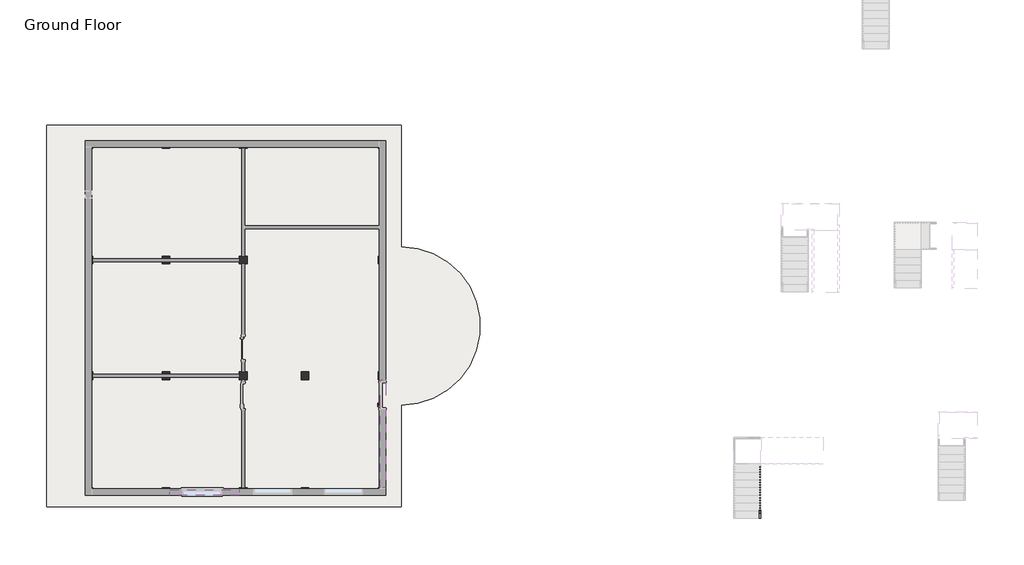
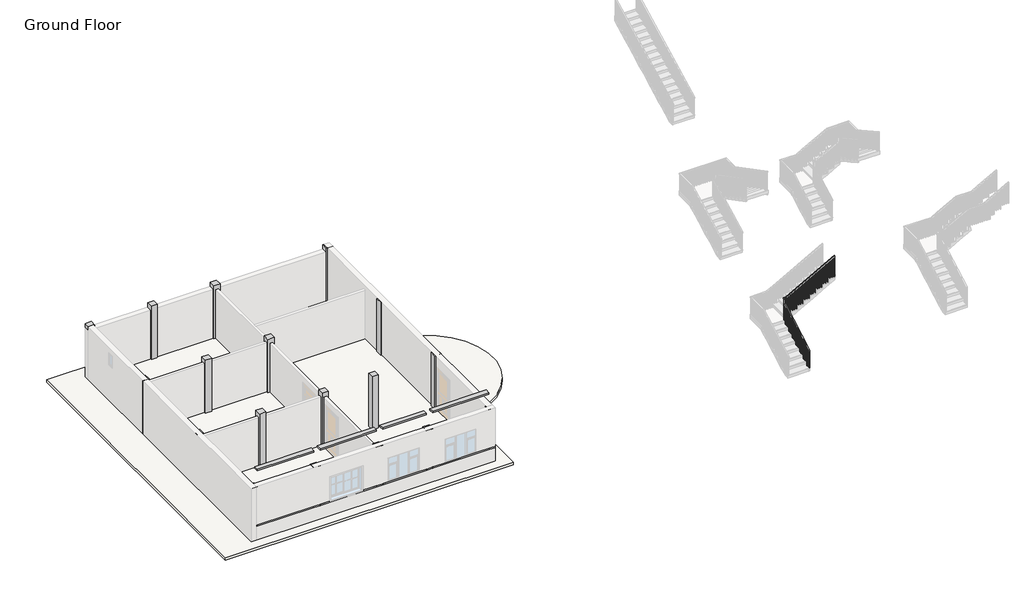
# One storey, part 2 of 10: 18 columns, 3 beams, 1 railing, 1 slab.
"""IFC4 building model written with IfcOpenShell, lengths in millimetres."""

from ifc_helpers import new_model, si_unit, point, frame, frame_2d, origin, place, context, project, spatial, polyline, circle_curve, trimmed, segment, composite_curve, outline, extrude, faceted_brep, element, save

model = new_model("IFC4")

# Units and contexts
model_context = context("Model", 3, world=origin())
ifc_project = project(units=[si_unit("LENGTHUNIT", "METRE", prefix="MILLI")], contexts=[model_context])

# Site, building, storey
site = spatial("IfcSite", under=ifc_project)
building = spatial("IfcBuilding", under=site)
storey = spatial("IfcBuildingStorey", under=building, Name="Ground Floor", Elevation=0.0)

# Beams
placement = place(None, origin())
element("IfcBeam", 1, ObjectType="Concrete-Rectangular Beam", at=placement, inside=storey, context=model_context, shape_type="Brep", body=[
    faceted_brep([(14744.5409002, -1628.0114294, 2235.2), (14515.9409002, -1628.0114294, 2235.2), (14515.9409002, -5895.2114294, 2235.2), (14744.5409002, -5895.2114294, 2235.2), (14744.5409002, -1628.0114294, 2133.6), (14744.5409002, -5895.2114294, 2133.6), (14515.9409002, -1628.0114294, 2133.6), (14515.9409002, -5895.2114294, 2133.6)], [[[0, 1, 2, 3]], [[4, 0, 3, 5]], [[6, 4, 5, 7]], [[1, 6, 7, 2]], [[1, 0, 4, 6]], [[3, 2, 7, 5]]]),
    faceted_brep([(14744.5409002, -15039.2114294, 2235.2), (14515.9409002, -15039.2114294, 2235.2), (14515.9409002, -15039.2114294, 2133.6), (14744.5409002, -15039.2114294, 2133.6), (14515.9409002, -10772.0114294, 2235.2), (14744.5409002, -10772.0114294, 2235.2), (14744.5409002, -10772.0114294, 2133.6), (14515.9409002, -10772.0114294, 2133.6), (14515.9409002, -10873.6114294, 2133.6), (14515.9409002, -11915.0114294, 2133.6), (14744.5409002, -11915.0114294, 2133.6), (14744.5409002, -10873.6114294, 2133.6)], [[[0, 1, 2, 3]], [[4, 5, 6, 7]], [[2, 1, 4, 7, 8, 9]], [[1, 0, 5, 4]], [[0, 3, 10, 11, 6, 5]], [[3, 2, 9, 8, 7, 6, 11, 10]]]),
    faceted_brep([(14744.5409002, -10467.2114294, 2235.2), (14515.9409002, -10467.2114294, 2235.2), (14515.9409002, -10467.2114294, 2133.6), (14744.5409002, -10467.2114294, 2133.6), (14515.9409002, -6200.0114294, 2235.2), (14744.5409002, -6200.0114294, 2235.2), (14744.5409002, -6200.0114294, 2133.6), (14515.9409002, -6200.0114294, 2133.6)], [[[0, 1, 2, 3]], [[4, 5, 6, 7]], [[2, 1, 4, 7]], [[1, 0, 5, 4]], [[0, 3, 6, 5]], [[3, 2, 7, 6]]]),
])
element("IfcBeam", 2, ObjectType="Concrete-Rectangular Beam", at=placement, inside=storey, context=model_context, shape_type="Brep", body=[
    faceted_brep([(11696.5409002, -15115.4114294, 762.0), (11696.5409002, -15344.0114294, 762.0), (12306.1409002, -15344.0114294, 762.0), (13830.1409002, -15344.0114294, 762.0), (14439.7409002, -15344.0114294, 762.0), (14439.7409002, -15115.4114294, 762.0), (13830.1409002, -15115.4114294, 762.0), (12306.1409002, -15115.4114294, 762.0), (11696.5409002, -15344.0114294, 685.8), (14439.7409002, -15344.0114294, 685.8), (11696.5409002, -15115.4114294, 685.8), (14439.7409002, -15115.4114294, 685.8)], [[[0, 1, 2, 3, 4, 5, 6, 7]], [[1, 8, 9, 4, 3, 2]], [[8, 10, 11, 9]], [[10, 0, 7, 6, 5, 11]], [[1, 0, 10, 8]], [[5, 4, 9, 11]]]),
    faceted_brep([(3162.1409002, -15344.0114294, 762.0), (3162.1409002, -15115.4114294, 762.0), (3162.1409002, -15115.4114294, 685.8), (3162.1409002, -15344.0114294, 685.8), (5905.3409002, -15115.4114294, 685.8), (5905.3409002, -15115.4114294, 762.0), (5905.3409002, -15344.0114294, 762.0), (5905.3409002, -15344.0114294, 685.8)], [[[0, 1, 2, 3]], [[4, 5, 6, 7]], [[2, 1, 5, 4]], [[1, 0, 6, 5]], [[0, 3, 7, 6]], [[3, 2, 4, 7]]]),
    faceted_brep([(9258.1409002, -15344.0114294, 762.0), (9258.1409002, -15115.4114294, 762.0), (9258.1409002, -15115.4114294, 685.8), (9258.1409002, -15344.0114294, 685.8), (11391.7409002, -15115.4114294, 762.0), (11391.7409002, -15344.0114294, 762.0), (11391.7409002, -15344.0114294, 685.8), (11391.7409002, -15115.4114294, 685.8), (9512.1409002, -15344.0114294, 762.0), (11036.1409002, -15344.0114294, 762.0), (11036.1409002, -15115.4114294, 762.0), (9512.1409002, -15115.4114294, 762.0)], [[[0, 1, 2, 3]], [[4, 5, 6, 7]], [[1, 0, 8, 9, 5, 4, 10, 11]], [[0, 3, 6, 5, 9, 8]], [[3, 2, 7, 6]], [[2, 1, 11, 10, 4, 7]]]),
    faceted_brep([(8953.3409002, -15115.4114294, 762.0), (8953.3409002, -15344.0114294, 762.0), (8953.3409002, -15344.0114294, 685.8), (8953.3409002, -15115.4114294, 685.8), (6210.1409002, -15115.4114294, 685.8), (6210.1409002, -15115.4114294, 762.0), (6718.1409002, -15115.4114294, 762.0), (8242.1409002, -15115.4114294, 762.0), (6210.1409002, -15344.0114294, 685.8), (6210.1409002, -15344.0114294, 762.0), (6718.1409002, -15344.0114294, 762.0), (8242.1409002, -15344.0114294, 762.0)], [[[0, 1, 2, 3]], [[0, 3, 4, 5, 6, 7]], [[5, 4, 8, 9]], [[1, 0, 7, 6, 5, 9, 10, 11]], [[2, 1, 11, 10, 9, 8]], [[3, 2, 8, 4]]]),
])
element("IfcBeam", 3, ObjectType="Concrete-Rectangular Beam", at=placement, inside=storey, context=model_context, shape_type="SweptSolid", body=[
    extrude(outline(polyline([(14439.7409002, -15115.4114294), (14439.7409002, -15344.0114294), (11696.5409002, -15344.0114294), (11696.5409002, -15115.4114294), (14439.7409002, -15115.4114294)])), frame((0.0, 0.0, 3556.0), z_axis=(0.0, 0.0, 1.0), x_axis=(1.0, 0.0, 0.0)), (0.0, 0.0, 1.0), 76.2),
    extrude(outline(polyline([(3162.1409002, -15344.0114294), (3162.1409002, -15115.4114294), (5905.3409002, -15115.4114294), (5905.3409002, -15344.0114294), (3162.1409002, -15344.0114294)])), frame((0.0, 0.0, 3556.0), z_axis=(0.0, 0.0, 1.0), x_axis=(1.0, 0.0, 0.0)), (0.0, 0.0, 1.0), 76.2),
    extrude(outline(polyline([(9258.1409002, -15344.0114294), (9258.1409002, -15115.4114294), (11391.7409002, -15115.4114294), (11391.7409002, -15344.0114294), (9258.1409002, -15344.0114294)])), frame((0.0, 0.0, 3556.0), z_axis=(0.0, 0.0, 1.0), x_axis=(1.0, 0.0, 0.0)), (0.0, 0.0, 1.0), 76.2),
    extrude(outline(polyline([(8953.3409002, -15115.4114294), (8953.3409002, -15344.0114294), (6210.1409002, -15344.0114294), (6210.1409002, -15115.4114294), (8953.3409002, -15115.4114294)])), frame((0.0, 0.0, 3556.0), z_axis=(0.0, 0.0, 1.0), x_axis=(1.0, 0.0, 0.0)), (0.0, 0.0, 1.0), 76.2),
])

# Columns
element("IfcColumn", 4, ObjectType="Concrete-Rectangular-Column", at=placement, inside=storey, context=model_context, shape_type="Brep", body=[
    faceted_brep([(3162.1409002, -15039.2114294, 0.0), (3162.1409002, -15344.0114294, 0.0), (2857.3409002, -15344.0114294, 0.0), (2857.3409002, -15039.2114294, 0.0), (3162.1409002, -15039.2114294, 2743.2), (3162.1409002, -15344.0114294, 2743.2), (3162.1409002, -15344.0114294, 2514.6), (3162.1409002, -15039.2114294, 2514.6), (2857.3409002, -15344.0114294, 2743.2), (2857.3409002, -15039.2114294, 2743.2), (2857.3409002, -15039.2114294, 2514.6)], [[[0, 1, 2, 3]], [[4, 5, 6, 1, 0, 7]], [[5, 8, 2, 1, 6]], [[8, 9, 10, 3, 2]], [[9, 4, 7, 0, 3, 10]], [[4, 9, 8, 5]]]),
])
element("IfcColumn", 5, ObjectType="Concrete-Rectangular-Column", at=placement, inside=storey, context=model_context, shape_type="Brep", body=[
    faceted_brep([(9258.1409002, -15039.2114294, 0.0), (9258.1409002, -15344.0114294, 0.0), (8953.3409002, -15344.0114294, 0.0), (8953.3409002, -15039.2114294, 0.0), (9258.1409002, -15039.2114294, 2743.2), (9258.1409002, -15344.0114294, 2743.2), (9258.1409002, -15344.0114294, 2514.6), (9258.1409002, -15344.0114294, 762.0), (9258.1409002, -15344.0114294, 685.8), (9258.1409002, -15039.2114294, 2514.6), (8953.3409002, -15344.0114294, 2743.2), (8953.3409002, -15344.0114294, 2514.6), (8953.3409002, -15344.0114294, 762.0), (8953.3409002, -15344.0114294, 685.8), (8953.3409002, -15039.2114294, 2743.2), (8953.3409002, -15039.2114294, 2514.6)], [[[0, 1, 2, 3]], [[4, 5, 6, 7, 8, 1, 0, 9]], [[5, 10, 11, 12, 13, 2, 1, 8, 7, 6]], [[10, 14, 15, 3, 2, 13, 12, 11]], [[14, 4, 9, 0, 3, 15]], [[4, 14, 10, 5]]]),
])
element("IfcColumn", 6, ObjectType="Concrete-Rectangular-Column", at=placement, inside=storey, context=model_context, shape_type="Brep", body=[
    faceted_brep([(11696.5409002, -15039.2114294, 0.0), (11696.5409002, -15344.0114294, 0.0), (11391.7409002, -15344.0114294, 0.0), (11391.7409002, -15039.2114294, 0.0), (11696.5409002, -15039.2114294, 2743.2), (11696.5409002, -15344.0114294, 2743.2), (11696.5409002, -15344.0114294, 2514.6), (11696.5409002, -15344.0114294, 762.0), (11696.5409002, -15344.0114294, 685.8), (11696.5409002, -15039.2114294, 2514.6), (11391.7409002, -15344.0114294, 2743.2), (11391.7409002, -15344.0114294, 2514.6), (11391.7409002, -15344.0114294, 762.0), (11391.7409002, -15344.0114294, 685.8), (11391.7409002, -15039.2114294, 2743.2), (11391.7409002, -15039.2114294, 2514.6)], [[[0, 1, 2, 3]], [[4, 5, 6, 7, 8, 1, 0, 9]], [[5, 10, 11, 12, 13, 2, 1, 8, 7, 6]], [[10, 14, 15, 3, 2, 13, 12, 11]], [[14, 4, 9, 0, 3, 15]], [[4, 14, 10, 5]]]),
])
element("IfcColumn", 7, ObjectType="Concrete-Rectangular-Column", at=placement, inside=storey, context=model_context, shape_type="Brep", body=[
    faceted_brep([(14744.5409002, -15039.2114294, 0.0), (14744.5409002, -15344.0114294, 0.0), (14439.7409002, -15344.0114294, 0.0), (14439.7409002, -15039.2114294, 0.0), (14744.5409002, -15039.2114294, 2743.2), (14744.5409002, -15344.0114294, 2743.2), (14744.5409002, -15039.2114294, 2514.6), (14439.7409002, -15344.0114294, 2743.2), (14439.7409002, -15344.0114294, 2514.6), (14439.7409002, -15039.2114294, 2743.2), (14439.7409002, -15039.2114294, 2514.6)], [[[0, 1, 2, 3]], [[4, 5, 1, 0, 6]], [[5, 7, 8, 2, 1]], [[7, 9, 10, 3, 2, 8]], [[9, 4, 6, 0, 3, 10]], [[4, 9, 7, 5]]]),
])
element("IfcColumn", 8, ObjectType="Concrete-Rectangular-Column", at=placement, inside=storey, context=model_context, shape_type="Brep", body=[
    faceted_brep([(6210.1409002, -15039.2114294, 0.0), (6210.1409002, -15344.0114294, 0.0), (5905.3409002, -15344.0114294, 0.0), (5905.3409002, -15039.2114294, 0.0), (6210.1409002, -15039.2114294, 2743.2), (6210.1409002, -15344.0114294, 2743.2), (6210.1409002, -15344.0114294, 2514.6), (6210.1409002, -15344.0114294, 762.0), (6210.1409002, -15344.0114294, 685.8), (6210.1409002, -15039.2114294, 2514.6), (5905.3409002, -15344.0114294, 2743.2), (5905.3409002, -15344.0114294, 2514.6), (5905.3409002, -15344.0114294, 762.0), (5905.3409002, -15344.0114294, 685.8), (5905.3409002, -15039.2114294, 2743.2), (5905.3409002, -15039.2114294, 2514.6)], [[[0, 1, 2, 3]], [[4, 5, 6, 7, 8, 1, 0, 9]], [[5, 10, 11, 12, 13, 2, 1, 8, 7, 6]], [[10, 14, 15, 3, 2, 13, 12, 11]], [[14, 4, 9, 0, 3, 15]], [[4, 14, 10, 5]]]),
])
element("IfcColumn", 9, ObjectType="Concrete-Rectangular-Column", at=placement, inside=storey, context=model_context, shape_type="Brep", body=[
    faceted_brep([(3162.1409002, -10467.2114294, 0.0), (3162.1409002, -10772.0114294, 0.0), (2857.3409002, -10772.0114294, 0.0), (2857.3409002, -10467.2114294, 0.0), (3162.1409002, -10467.2114294, 2743.2), (3162.1409002, -10772.0114294, 2743.2), (3162.1409002, -10772.0114294, 2514.6), (3162.1409002, -10467.2114294, 2514.6), (2857.3409002, -10772.0114294, 2743.2), (2857.3409002, -10772.0114294, 2514.6), (2857.3409002, -10467.2114294, 2743.2), (2857.3409002, -10467.2114294, 2514.6)], [[[0, 1, 2, 3]], [[4, 5, 6, 1, 0, 7]], [[5, 8, 9, 2, 1, 6]], [[8, 10, 11, 3, 2, 9]], [[10, 4, 7, 0, 3, 11]], [[4, 10, 8, 5]]]),
])
element("IfcColumn", 10, ObjectType="Concrete-Rectangular-Column", at=placement, inside=storey, context=model_context, shape_type="Brep", body=[
    faceted_brep([(9258.1409002, -10467.2114294, 0.0), (9258.1409002, -10772.0114294, 0.0), (8953.3409002, -10772.0114294, 0.0), (8953.3409002, -10467.2114294, 0.0), (9258.1409002, -10467.2114294, 2743.2), (9258.1409002, -10772.0114294, 2743.2), (9258.1409002, -10772.0114294, 2514.6), (9258.1409002, -10467.2114294, 2514.6), (8953.3409002, -10772.0114294, 2743.2), (8953.3409002, -10772.0114294, 2514.6), (8953.3409002, -10467.2114294, 2743.2), (8953.3409002, -10467.2114294, 2514.6)], [[[0, 1, 2, 3]], [[4, 5, 6, 1, 0, 7]], [[5, 8, 9, 2, 1, 6]], [[8, 10, 11, 3, 2, 9]], [[10, 4, 7, 0, 3, 11]], [[4, 10, 8, 5]]]),
])
element("IfcColumn", 11, ObjectType="Concrete-Rectangular-Column", at=placement, inside=storey, context=model_context, shape_type="Brep", body=[
    faceted_brep([(11696.5409002, -10467.2114294, 0.0), (11696.5409002, -10772.0114294, 0.0), (11391.7409002, -10772.0114294, 0.0), (11391.7409002, -10467.2114294, 0.0), (11696.5409002, -10467.2114294, 2743.2), (11696.5409002, -10772.0114294, 2743.2), (11696.5409002, -10772.0114294, 2514.6), (11696.5409002, -10467.2114294, 2514.6), (11391.7409002, -10772.0114294, 2743.2), (11391.7409002, -10772.0114294, 2514.6), (11391.7409002, -10467.2114294, 2743.2), (11391.7409002, -10467.2114294, 2514.6)], [[[0, 1, 2, 3]], [[4, 5, 6, 1, 0, 7]], [[5, 8, 9, 2, 1, 6]], [[8, 10, 11, 3, 2, 9]], [[10, 4, 7, 0, 3, 11]], [[4, 10, 8, 5]]]),
])
element("IfcColumn", 12, ObjectType="Concrete-Rectangular-Column", at=placement, inside=storey, context=model_context, shape_type="Brep", body=[
    faceted_brep([(14744.5409002, -10467.2114294, 0.0), (14744.5409002, -10772.0114294, 0.0), (14439.7409002, -10772.0114294, 0.0), (14439.7409002, -10467.2114294, 0.0), (14744.5409002, -10467.2114294, 2743.2), (14744.5409002, -10772.0114294, 2743.2), (14744.5409002, -10772.0114294, 2514.6), (14744.5409002, -10772.0114294, 2235.2), (14744.5409002, -10772.0114294, 2133.6), (14744.5409002, -10467.2114294, 2133.6), (14744.5409002, -10467.2114294, 2235.2), (14744.5409002, -10467.2114294, 2514.6), (14439.7409002, -10772.0114294, 2743.2), (14439.7409002, -10772.0114294, 2514.6), (14439.7409002, -10467.2114294, 2743.2), (14439.7409002, -10467.2114294, 2514.6)], [[[0, 1, 2, 3]], [[4, 5, 6, 7, 8, 1, 0, 9, 10, 11]], [[5, 12, 13, 2, 1, 8, 7, 6]], [[12, 14, 15, 3, 2, 13]], [[14, 4, 11, 10, 9, 0, 3, 15]], [[4, 14, 12, 5]]]),
])
element("IfcColumn", 13, ObjectType="Concrete-Rectangular-Column", at=placement, inside=storey, context=model_context, shape_type="Brep", body=[
    faceted_brep([(6210.1409002, -10467.2114294, 0.0), (6210.1409002, -10772.0114294, 0.0), (5905.3409002, -10772.0114294, 0.0), (5905.3409002, -10467.2114294, 0.0), (6210.1409002, -10467.2114294, 2743.2), (6210.1409002, -10772.0114294, 2743.2), (6210.1409002, -10772.0114294, 2514.6), (6210.1409002, -10467.2114294, 2514.6), (5905.3409002, -10772.0114294, 2743.2), (5905.3409002, -10772.0114294, 2514.6), (5905.3409002, -10467.2114294, 2743.2), (5905.3409002, -10467.2114294, 2514.6)], [[[0, 1, 2, 3]], [[4, 5, 6, 1, 0, 7]], [[5, 8, 9, 2, 1, 6]], [[8, 10, 11, 3, 2, 9]], [[10, 4, 7, 0, 3, 11]], [[4, 10, 8, 5]]]),
])
element("IfcColumn", 14, ObjectType="Concrete-Rectangular-Column", at=placement, inside=storey, context=model_context, shape_type="Brep", body=[
    faceted_brep([(3162.1409002, -5895.2114294, 0.0), (3162.1409002, -6200.0114294, 0.0), (2857.3409002, -6200.0114294, 0.0), (2857.3409002, -5895.2114294, 0.0), (3162.1409002, -5895.2114294, 2743.2), (3162.1409002, -6200.0114294, 2743.2), (3162.1409002, -6200.0114294, 2514.6), (3162.1409002, -5895.2114294, 2514.6), (2857.3409002, -6200.0114294, 2743.2), (2857.3409002, -6200.0114294, 2514.6), (2857.3409002, -5895.2114294, 2743.2), (2857.3409002, -5895.2114294, 2514.6)], [[[0, 1, 2, 3]], [[4, 5, 6, 1, 0, 7]], [[5, 8, 9, 2, 1, 6]], [[8, 10, 11, 3, 2, 9]], [[10, 4, 7, 0, 3, 11]], [[4, 10, 8, 5]]]),
])
element("IfcColumn", 15, ObjectType="Concrete-Rectangular-Column", at=placement, inside=storey, context=model_context, shape_type="Brep", body=[
    faceted_brep([(9258.1409002, -5895.2114294, 0.0), (9258.1409002, -6200.0114294, 0.0), (8953.3409002, -6200.0114294, 0.0), (8953.3409002, -5895.2114294, 0.0), (9258.1409002, -5895.2114294, 2743.2), (9258.1409002, -6200.0114294, 2743.2), (9258.1409002, -6200.0114294, 2514.6), (9258.1409002, -5895.2114294, 2514.6), (8953.3409002, -6200.0114294, 2743.2), (8953.3409002, -6200.0114294, 2514.6), (8953.3409002, -5895.2114294, 2743.2), (8953.3409002, -5895.2114294, 2514.6)], [[[0, 1, 2, 3]], [[4, 5, 6, 1, 0, 7]], [[5, 8, 9, 2, 1, 6]], [[8, 10, 11, 3, 2, 9]], [[10, 4, 7, 0, 3, 11]], [[4, 10, 8, 5]]]),
])
element("IfcColumn", 16, ObjectType="Concrete-Rectangular-Column", at=placement, inside=storey, context=model_context, shape_type="Brep", body=[
    faceted_brep([(14744.5409002, -5895.2114294, 0.0), (14744.5409002, -6200.0114294, 0.0), (14439.7409002, -6200.0114294, 0.0), (14439.7409002, -5895.2114294, 0.0), (14744.5409002, -5895.2114294, 2743.2), (14744.5409002, -6200.0114294, 2743.2), (14744.5409002, -6200.0114294, 2514.6), (14744.5409002, -6200.0114294, 2235.2), (14744.5409002, -6200.0114294, 2133.6), (14744.5409002, -5895.2114294, 2133.6), (14744.5409002, -5895.2114294, 2235.2), (14744.5409002, -5895.2114294, 2514.6), (14439.7409002, -6200.0114294, 2743.2), (14439.7409002, -6200.0114294, 2514.6), (14439.7409002, -5895.2114294, 2743.2), (14439.7409002, -5895.2114294, 2514.6)], [[[0, 1, 2, 3]], [[4, 5, 6, 7, 8, 1, 0, 9, 10, 11]], [[5, 12, 13, 2, 1, 8, 7, 6]], [[12, 14, 15, 3, 2, 13]], [[14, 4, 11, 10, 9, 0, 3, 15]], [[4, 14, 12, 5]]]),
])
element("IfcColumn", 17, ObjectType="Concrete-Rectangular-Column", at=placement, inside=storey, context=model_context, shape_type="Brep", body=[
    faceted_brep([(6210.1409002, -5895.2114294, 0.0), (6210.1409002, -6200.0114294, 0.0), (5905.3409002, -6200.0114294, 0.0), (5905.3409002, -5895.2114294, 0.0), (6210.1409002, -5895.2114294, 2743.2), (6210.1409002, -6200.0114294, 2743.2), (6210.1409002, -6200.0114294, 2514.6), (6210.1409002, -5895.2114294, 2514.6), (5905.3409002, -6200.0114294, 2743.2), (5905.3409002, -6200.0114294, 2514.6), (5905.3409002, -5895.2114294, 2743.2), (5905.3409002, -5895.2114294, 2514.6)], [[[0, 1, 2, 3]], [[4, 5, 6, 1, 0, 7]], [[5, 8, 9, 2, 1, 6]], [[8, 10, 11, 3, 2, 9]], [[10, 4, 7, 0, 3, 11]], [[4, 10, 8, 5]]]),
])
element("IfcColumn", 18, ObjectType="Concrete-Rectangular-Column", at=placement, inside=storey, context=model_context, shape_type="Brep", body=[
    faceted_brep([(3162.1409002, -1323.2114294, 0.0), (3162.1409002, -1628.0114294, 0.0), (2857.3409002, -1628.0114294, 0.0), (2857.3409002, -1323.2114294, 0.0), (3162.1409002, -1323.2114294, 2743.2), (3162.1409002, -1628.0114294, 2743.2), (3162.1409002, -1628.0114294, 2514.6), (3162.1409002, -1323.2114294, 2514.6), (2857.3409002, -1628.0114294, 2743.2), (2857.3409002, -1628.0114294, 2514.6), (2857.3409002, -1323.2114294, 2743.2)], [[[0, 1, 2, 3]], [[4, 5, 6, 1, 0, 7]], [[5, 8, 9, 2, 1, 6]], [[8, 10, 3, 2, 9]], [[10, 4, 7, 0, 3]], [[4, 10, 8, 5]]]),
])
element("IfcColumn", 19, ObjectType="Concrete-Rectangular-Column", at=placement, inside=storey, context=model_context, shape_type="Brep", body=[
    faceted_brep([(9258.1409002, -1323.2114294, 0.0), (9258.1409002, -1628.0114294, 0.0), (8953.3409002, -1628.0114294, 0.0), (8953.3409002, -1323.2114294, 0.0), (9258.1409002, -1323.2114294, 2743.2), (9258.1409002, -1628.0114294, 2743.2), (9258.1409002, -1628.0114294, 2514.6), (9258.1409002, -1323.2114294, 2514.6), (8953.3409002, -1628.0114294, 2743.2), (8953.3409002, -1628.0114294, 2514.6), (8953.3409002, -1323.2114294, 2743.2), (8953.3409002, -1323.2114294, 2514.6)], [[[0, 1, 2, 3]], [[4, 5, 6, 1, 0, 7]], [[5, 8, 9, 2, 1, 6]], [[8, 10, 11, 3, 2, 9]], [[10, 4, 7, 0, 3, 11]], [[4, 10, 8, 5]]]),
])
element("IfcColumn", 20, ObjectType="Concrete-Rectangular-Column", at=placement, inside=storey, context=model_context, shape_type="Brep", body=[
    faceted_brep([(14744.5409002, -1323.2114294, 0.0), (14744.5409002, -1628.0114294, 0.0), (14439.7409002, -1628.0114294, 0.0), (14439.7409002, -1323.2114294, 0.0), (14744.5409002, -1323.2114294, 2743.2), (14744.5409002, -1628.0114294, 2743.2), (14744.5409002, -1628.0114294, 2514.6), (14439.7409002, -1628.0114294, 2743.2), (14439.7409002, -1628.0114294, 2514.6), (14439.7409002, -1323.2114294, 2743.2), (14439.7409002, -1323.2114294, 2514.6)], [[[0, 1, 2, 3]], [[4, 5, 6, 1, 0]], [[5, 7, 8, 2, 1, 6]], [[7, 9, 10, 3, 2, 8]], [[9, 4, 0, 3, 10]], [[4, 9, 7, 5]]]),
])
element("IfcColumn", 21, ObjectType="Concrete-Rectangular-Column", at=placement, inside=storey, context=model_context, shape_type="Brep", body=[
    faceted_brep([(6210.1409002, -1323.2114294, 0.0), (6210.1409002, -1628.0114294, 0.0), (5905.3409002, -1628.0114294, 0.0), (5905.3409002, -1323.2114294, 0.0), (6210.1409002, -1323.2114294, 2743.2), (6210.1409002, -1628.0114294, 2743.2), (6210.1409002, -1628.0114294, 2514.6), (6210.1409002, -1323.2114294, 2514.6), (5905.3409002, -1628.0114294, 2743.2), (5905.3409002, -1628.0114294, 2514.6), (5905.3409002, -1323.2114294, 2743.2), (5905.3409002, -1323.2114294, 2514.6)], [[[0, 1, 2, 3]], [[4, 5, 6, 1, 0, 7]], [[5, 8, 9, 2, 1, 6]], [[8, 10, 11, 3, 2, 9]], [[10, 4, 7, 0, 3, 11]], [[4, 10, 8, 5]]]),
])

# Railing
element("IfcRailing", 22, ObjectType="Handrail - Rectangular", at=placement, inside=storey, context=model_context, shape_type="SolidModel", body=[
    faceted_brep([(29504.8368532, -16252.694512, 1083.2352941), (29504.8368532, -16252.694512, 1025.162448), (29555.6368532, -16252.694512, 1025.162448), (29555.6368532, -16252.694512, 1083.2352941), (29504.8368532, -14195.294512, 2222.8735294), (29504.8368532, -14144.494512, 2192.939899), (29555.6368532, -14144.494512, 2192.939899), (29555.6368532, -14195.294512, 2222.8735294), (29504.8368532, -14195.294512, 2476.1264706), (29504.8368532, -14144.494512, 2425.3264706), (29555.6368532, -14144.494512, 2425.3264706), (29555.6368532, -14195.294512, 2476.1264706), (29504.8368532, -14068.294512, 2476.1264706), (29504.8368532, -14068.294512, 2425.3264706), (29555.6368532, -14119.094512, 2425.3264706), (29555.6368532, -14119.094512, 2476.1264706), (29631.8368532, -14068.294512, 2476.1264706), (29644.9665931, -14068.294512, 2425.3264706), (29644.9665931, -14119.094512, 2425.3264706), (29631.8368532, -14119.094512, 2476.1264706), (31994.0368532, -14068.294512, 3784.6), (31994.0368532, -14119.094512, 3784.6), (31994.0368532, -14119.094512, 3726.5271539), (31994.0368532, -14068.294512, 3726.5271539)], [[[0, 1, 2, 3]], [[1, 0, 4, 5]], [[2, 1, 5, 6]], [[3, 2, 6, 7]], [[0, 3, 7, 4]], [[5, 4, 8, 9]], [[6, 5, 9, 10]], [[7, 6, 10, 11]], [[4, 7, 11, 8]], [[9, 8, 12, 13]], [[10, 9, 13, 14]], [[11, 10, 14, 15]], [[8, 11, 15, 12]], [[13, 12, 16, 17]], [[14, 13, 17, 18]], [[15, 14, 18, 19]], [[12, 15, 19, 16]], [[20, 21, 22, 23]], [[17, 16, 20, 23]], [[18, 17, 23, 22]], [[19, 18, 22, 21]], [[16, 19, 21, 20]]]),
    extrude(outline(polyline([(3717.733649, 31978.1618532), (3707.1814431, 31959.1118532), (2701.3647059, 31959.1118532), (2701.3647059, 31978.1618532), (3717.733649, 31978.1618532)])), frame((0.0, -14103.219512, 0.0), z_axis=(0.0, 1.0, 0.0), x_axis=(0.0, 0.0, 1.0)), (0.0, 0.0, 1.0), 19.05),
    extrude(outline(polyline([(3661.4552176, 31876.5618532), (3650.9030117, 31857.5118532), (2701.3647059, 31857.5118532), (2701.3647059, 31876.5618532), (3661.4552176, 31876.5618532)])), frame((0.0, -14103.219512, 0.0), z_axis=(0.0, 1.0, 0.0), x_axis=(0.0, 0.0, 1.0)), (0.0, 0.0, 1.0), 19.05),
    extrude(outline(polyline([(3605.1767862, 31774.9618532), (3594.6245803, 31755.9118532), (2701.3647059, 31755.9118532), (2701.3647059, 31774.9618532), (3605.1767862, 31774.9618532)])), frame((0.0, -14103.219512, 0.0), z_axis=(0.0, 1.0, 0.0), x_axis=(0.0, 0.0, 1.0)), (0.0, 0.0, 1.0), 19.05),
    extrude(outline(polyline([(3548.8983548, 31673.3618532), (3538.346149, 31654.3118532), (2532.5294118, 31654.3118532), (2532.5294118, 31673.3618532), (3548.8983548, 31673.3618532)])), frame((0.0, -14103.219512, 0.0), z_axis=(0.0, 1.0, 0.0), x_axis=(0.0, 0.0, 1.0)), (0.0, 0.0, 1.0), 19.05),
    extrude(outline(polyline([(3492.6199235, 31571.7618532), (3482.0677176, 31552.7118532), (2532.5294118, 31552.7118532), (2532.5294118, 31571.7618532), (3492.6199235, 31571.7618532)])), frame((0.0, -14103.219512, 0.0), z_axis=(0.0, 1.0, 0.0), x_axis=(0.0, 0.0, 1.0)), (0.0, 0.0, 1.0), 19.05),
    extrude(outline(polyline([(3436.3414921, 31470.1618532), (3425.7892862, 31451.1118532), (2532.5294118, 31451.1118532), (2532.5294118, 31470.1618532), (3436.3414921, 31470.1618532)])), frame((0.0, -14103.219512, 0.0), z_axis=(0.0, 1.0, 0.0), x_axis=(0.0, 0.0, 1.0)), (0.0, 0.0, 1.0), 19.05),
    extrude(outline(polyline([(3380.0630607, 31368.5618532), (3369.5108548, 31349.5118532), (2363.6941176, 31349.5118532), (2363.6941176, 31368.5618532), (3380.0630607, 31368.5618532)])), frame((0.0, -14103.219512, 0.0), z_axis=(0.0, 1.0, 0.0), x_axis=(0.0, 0.0, 1.0)), (0.0, 0.0, 1.0), 19.05),
    extrude(outline(polyline([(3323.7846293, 31266.9618532), (3313.2324235, 31247.9118532), (2363.6941176, 31247.9118532), (2363.6941176, 31266.9618532), (3323.7846293, 31266.9618532)])), frame((0.0, -14103.219512, 0.0), z_axis=(0.0, 1.0, 0.0), x_axis=(0.0, 0.0, 1.0)), (0.0, 0.0, 1.0), 19.05),
    extrude(outline(polyline([(3267.506198, 31165.3618532), (3256.9539921, 31146.3118532), (2363.6941176, 31146.3118532), (2363.6941176, 31165.3618532), (3267.506198, 31165.3618532)])), frame((0.0, -14103.219512, 0.0), z_axis=(0.0, 1.0, 0.0), x_axis=(0.0, 0.0, 1.0)), (0.0, 0.0, 1.0), 19.05),
    extrude(outline(polyline([(3211.2277666, 31063.7618532), (3200.6755607, 31044.7118532), (2194.8588235, 31044.7118532), (2194.8588235, 31063.7618532), (3211.2277666, 31063.7618532)])), frame((0.0, -14103.219512, 0.0), z_axis=(0.0, 1.0, 0.0), x_axis=(0.0, 0.0, 1.0)), (0.0, 0.0, 1.0), 19.05),
    extrude(outline(polyline([(3154.9493352, 30962.1618532), (3144.3971293, 30943.1118532), (2194.8588235, 30943.1118532), (2194.8588235, 30962.1618532), (3154.9493352, 30962.1618532)])), frame((0.0, -14103.219512, 0.0), z_axis=(0.0, 1.0, 0.0), x_axis=(0.0, 0.0, 1.0)), (0.0, 0.0, 1.0), 19.05),
    extrude(outline(polyline([(3098.6709039, 30860.5618532), (3088.118698, 30841.5118532), (2194.8588235, 30841.5118532), (2194.8588235, 30860.5618532), (3098.6709039, 30860.5618532)])), frame((0.0, -14103.219512, 0.0), z_axis=(0.0, 1.0, 0.0), x_axis=(0.0, 0.0, 1.0)), (0.0, 0.0, 1.0), 19.05),
    extrude(outline(polyline([(3042.3924725, 30758.9618532), (3031.8402666, 30739.9118532), (2026.0235294, 30739.9118532), (2026.0235294, 30758.9618532), (3042.3924725, 30758.9618532)])), frame((0.0, -14103.219512, 0.0), z_axis=(0.0, 1.0, 0.0), x_axis=(0.0, 0.0, 1.0)), (0.0, 0.0, 1.0), 19.05),
    extrude(outline(polyline([(2986.1140411, 30657.3618532), (2975.5618352, 30638.3118532), (2026.0235294, 30638.3118532), (2026.0235294, 30657.3618532), (2986.1140411, 30657.3618532)])), frame((0.0, -14103.219512, 0.0), z_axis=(0.0, 1.0, 0.0), x_axis=(0.0, 0.0, 1.0)), (0.0, 0.0, 1.0), 19.05),
    extrude(outline(polyline([(2929.8356097, 30555.7618532), (2919.2834039, 30536.7118532), (2026.0235294, 30536.7118532), (2026.0235294, 30555.7618532), (2929.8356097, 30555.7618532)])), frame((0.0, -14103.219512, 0.0), z_axis=(0.0, 1.0, 0.0), x_axis=(0.0, 0.0, 1.0)), (0.0, 0.0, 1.0), 19.05),
    extrude(outline(polyline([(2873.5571784, 30454.1618532), (2863.0049725, 30435.1118532), (1857.1882353, 30435.1118532), (1857.1882353, 30454.1618532), (2873.5571784, 30454.1618532)])), frame((0.0, -14103.219512, 0.0), z_axis=(0.0, 1.0, 0.0), x_axis=(0.0, 0.0, 1.0)), (0.0, 0.0, 1.0), 19.05),
    extrude(outline(polyline([(2817.278747, 30352.5618532), (2806.7265411, 30333.5118532), (1857.1882353, 30333.5118532), (1857.1882353, 30352.5618532), (2817.278747, 30352.5618532)])), frame((0.0, -14103.219512, 0.0), z_axis=(0.0, 1.0, 0.0), x_axis=(0.0, 0.0, 1.0)), (0.0, 0.0, 1.0), 19.05),
    extrude(outline(polyline([(2761.0003156, 30250.9618532), (2750.4481097, 30231.9118532), (1857.1882353, 30231.9118532), (1857.1882353, 30250.9618532), (2761.0003156, 30250.9618532)])), frame((0.0, -14103.219512, 0.0), z_axis=(0.0, 1.0, 0.0), x_axis=(0.0, 0.0, 1.0)), (0.0, 0.0, 1.0), 19.05),
    extrude(outline(polyline([(2704.7218842, 30149.3618532), (2694.1696784, 30130.3118532), (1688.3529412, 30130.3118532), (1688.3529412, 30149.3618532), (2704.7218842, 30149.3618532)])), frame((0.0, -14103.219512, 0.0), z_axis=(0.0, 1.0, 0.0), x_axis=(0.0, 0.0, 1.0)), (0.0, 0.0, 1.0), 19.05),
    extrude(outline(polyline([(2648.4434529, 30047.7618532), (2637.891247, 30028.7118532), (1688.3529412, 30028.7118532), (1688.3529412, 30047.7618532), (2648.4434529, 30047.7618532)])), frame((0.0, -14103.219512, 0.0), z_axis=(0.0, 1.0, 0.0), x_axis=(0.0, 0.0, 1.0)), (0.0, 0.0, 1.0), 19.05),
    extrude(outline(polyline([(2592.1650215, 29946.1618532), (2581.6128156, 29927.1118532), (1688.3529412, 29927.1118532), (1688.3529412, 29946.1618532), (2592.1650215, 29946.1618532)])), frame((0.0, -14103.219512, 0.0), z_axis=(0.0, 1.0, 0.0), x_axis=(0.0, 0.0, 1.0)), (0.0, 0.0, 1.0), 19.05),
    extrude(outline(polyline([(2535.8865901, 29844.5618532), (2525.3343842, 29825.5118532), (1519.5176471, 29825.5118532), (1519.5176471, 29844.5618532), (2535.8865901, 29844.5618532)])), frame((0.0, -14103.219512, 0.0), z_axis=(0.0, 1.0, 0.0), x_axis=(0.0, 0.0, 1.0)), (0.0, 0.0, 1.0), 19.05),
    extrude(outline(polyline([(2479.6081588, 29742.9618532), (2469.0559529, 29723.9118532), (1519.5176471, 29723.9118532), (1519.5176471, 29742.9618532), (2479.6081588, 29742.9618532)])), frame((0.0, -14103.219512, 0.0), z_axis=(0.0, 1.0, 0.0), x_axis=(0.0, 0.0, 1.0)), (0.0, 0.0, 1.0), 19.05),
    extrude(outline(polyline([(2423.3297274, 29641.3618532), (2412.7775215, 29622.3118532), (1519.5176471, 29622.3118532), (1519.5176471, 29641.3618532), (2423.3297274, 29641.3618532)])), frame((0.0, -14103.219512, 0.0), z_axis=(0.0, 1.0, 0.0), x_axis=(0.0, 0.0, 1.0)), (0.0, 0.0, 1.0), 19.05),
    extrude(outline(polyline([(29539.7618532, -14128.619512), (29520.7118532, -14128.619512), (29520.7118532, -14109.569512), (29539.7618532, -14109.569512), (29539.7618532, -14128.619512)])), frame((0.0, 0.0, 1350.6823529), z_axis=(0.0, 0.0, 1.0), x_axis=(1.0, 0.0, 0.0)), (0.0, 0.0, 1.0), 1074.6441176),
    extrude(outline(polyline([(-14230.219512, 2145.4549725), (-14211.169512, 2156.0071784), (-14211.169512, 1181.8470588), (-14230.219512, 1181.8470588), (-14230.219512, 2145.4549725)])), frame((29520.7118532, 0.0, 0.0), z_axis=(1.0, 0.0, 0.0), x_axis=(0.0, 1.0, 0.0)), (0.0, 0.0, 1.0), 19.05),
    extrude(outline(polyline([(-14331.819512, 2089.1765411), (-14312.769512, 2099.728747), (-14312.769512, 1181.8470588), (-14331.819512, 1181.8470588), (-14331.819512, 2089.1765411)])), frame((29520.7118532, 0.0, 0.0), z_axis=(1.0, 0.0, 0.0), x_axis=(0.0, 1.0, 0.0)), (0.0, 0.0, 1.0), 19.05),
    extrude(outline(polyline([(-14433.419512, 2032.8981097), (-14414.369512, 2043.4503156), (-14414.369512, 1181.8470588), (-14433.419512, 1181.8470588), (-14433.419512, 2032.8981097)])), frame((29520.7118532, 0.0, 0.0), z_axis=(1.0, 0.0, 0.0), x_axis=(0.0, 1.0, 0.0)), (0.0, 0.0, 1.0), 19.05),
    extrude(outline(polyline([(-14535.019512, 1976.6196784), (-14515.969512, 1987.1718842), (-14515.969512, 1013.0117647), (-14535.019512, 1013.0117647), (-14535.019512, 1976.6196784)])), frame((29520.7118532, 0.0, 0.0), z_axis=(1.0, 0.0, 0.0), x_axis=(0.0, 1.0, 0.0)), (0.0, 0.0, 1.0), 19.05),
    extrude(outline(polyline([(-14636.619512, 1920.341247), (-14617.569512, 1930.8934529), (-14617.569512, 1013.0117647), (-14636.619512, 1013.0117647), (-14636.619512, 1920.341247)])), frame((29520.7118532, 0.0, 0.0), z_axis=(1.0, 0.0, 0.0), x_axis=(0.0, 1.0, 0.0)), (0.0, 0.0, 1.0), 19.05),
    extrude(outline(polyline([(-14738.219512, 1864.0628156), (-14719.169512, 1874.6150215), (-14719.169512, 1013.0117647), (-14738.219512, 1013.0117647), (-14738.219512, 1864.0628156)])), frame((29520.7118532, 0.0, 0.0), z_axis=(1.0, 0.0, 0.0), x_axis=(0.0, 1.0, 0.0)), (0.0, 0.0, 1.0), 19.05),
    extrude(outline(polyline([(-14839.819512, 1807.7843842), (-14820.769512, 1818.3365901), (-14820.769512, 844.1764706), (-14839.819512, 844.1764706), (-14839.819512, 1807.7843842)])), frame((29520.7118532, 0.0, 0.0), z_axis=(1.0, 0.0, 0.0), x_axis=(0.0, 1.0, 0.0)), (0.0, 0.0, 1.0), 19.05),
    extrude(outline(polyline([(-14941.419512, 1751.5059529), (-14922.369512, 1762.0581588), (-14922.369512, 844.1764706), (-14941.419512, 844.1764706), (-14941.419512, 1751.5059529)])), frame((29520.7118532, 0.0, 0.0), z_axis=(1.0, 0.0, 0.0), x_axis=(0.0, 1.0, 0.0)), (0.0, 0.0, 1.0), 19.05),
    extrude(outline(polyline([(-15043.019512, 1695.2275215), (-15023.969512, 1705.7797274), (-15023.969512, 844.1764706), (-15043.019512, 844.1764706), (-15043.019512, 1695.2275215)])), frame((29520.7118532, 0.0, 0.0), z_axis=(1.0, 0.0, 0.0), x_axis=(0.0, 1.0, 0.0)), (0.0, 0.0, 1.0), 19.05),
    extrude(outline(polyline([(-15144.619512, 1638.9490901), (-15125.569512, 1649.501296), (-15125.569512, 675.3411765), (-15144.619512, 675.3411765), (-15144.619512, 1638.9490901)])), frame((29520.7118532, 0.0, 0.0), z_axis=(1.0, 0.0, 0.0), x_axis=(0.0, 1.0, 0.0)), (0.0, 0.0, 1.0), 19.05),
    extrude(outline(polyline([(-15246.219512, 1582.6706588), (-15227.169512, 1593.2228646), (-15227.169512, 675.3411765), (-15246.219512, 675.3411765), (-15246.219512, 1582.6706588)])), frame((29520.7118532, 0.0, 0.0), z_axis=(1.0, 0.0, 0.0), x_axis=(0.0, 1.0, 0.0)), (0.0, 0.0, 1.0), 19.05),
    extrude(outline(polyline([(-15347.819512, 1526.3922274), (-15328.769512, 1536.9444333), (-15328.769512, 675.3411765), (-15347.819512, 675.3411765), (-15347.819512, 1526.3922274)])), frame((29520.7118532, 0.0, 0.0), z_axis=(1.0, 0.0, 0.0), x_axis=(0.0, 1.0, 0.0)), (0.0, 0.0, 1.0), 19.05),
    extrude(outline(polyline([(-15449.419512, 1470.113796), (-15430.369512, 1480.6660019), (-15430.369512, 506.5058824), (-15449.419512, 506.5058824), (-15449.419512, 1470.113796)])), frame((29520.7118532, 0.0, 0.0), z_axis=(1.0, 0.0, 0.0), x_axis=(0.0, 1.0, 0.0)), (0.0, 0.0, 1.0), 19.05),
    extrude(outline(polyline([(-15551.019512, 1413.8353646), (-15531.969512, 1424.3875705), (-15531.969512, 506.5058824), (-15551.019512, 506.5058824), (-15551.019512, 1413.8353646)])), frame((29520.7118532, 0.0, 0.0), z_axis=(1.0, 0.0, 0.0), x_axis=(0.0, 1.0, 0.0)), (0.0, 0.0, 1.0), 19.05),
    extrude(outline(polyline([(-15652.619512, 1357.5569333), (-15633.569512, 1368.1091391), (-15633.569512, 506.5058824), (-15652.619512, 506.5058824), (-15652.619512, 1357.5569333)])), frame((29520.7118532, 0.0, 0.0), z_axis=(1.0, 0.0, 0.0), x_axis=(0.0, 1.0, 0.0)), (0.0, 0.0, 1.0), 19.05),
    extrude(outline(polyline([(-15754.219512, 1301.2785019), (-15735.169512, 1311.8307078), (-15735.169512, 337.6705882), (-15754.219512, 337.6705882), (-15754.219512, 1301.2785019)])), frame((29520.7118532, 0.0, 0.0), z_axis=(1.0, 0.0, 0.0), x_axis=(0.0, 1.0, 0.0)), (0.0, 0.0, 1.0), 19.05),
    extrude(outline(polyline([(-15855.819512, 1245.0000705), (-15836.769512, 1255.5522764), (-15836.769512, 337.6705882), (-15855.819512, 337.6705882), (-15855.819512, 1245.0000705)])), frame((29520.7118532, 0.0, 0.0), z_axis=(1.0, 0.0, 0.0), x_axis=(0.0, 1.0, 0.0)), (0.0, 0.0, 1.0), 19.05),
    extrude(outline(polyline([(-15957.419512, 1188.7216391), (-15938.369512, 1199.273845), (-15938.369512, 337.6705882), (-15957.419512, 337.6705882), (-15957.419512, 1188.7216391)])), frame((29520.7118532, 0.0, 0.0), z_axis=(1.0, 0.0, 0.0), x_axis=(0.0, 1.0, 0.0)), (0.0, 0.0, 1.0), 19.05),
    extrude(outline(polyline([(-16059.019512, 1132.4432078), (-16039.969512, 1142.9954137), (-16039.969512, 168.8352941), (-16059.019512, 168.8352941), (-16059.019512, 1132.4432078)])), frame((29520.7118532, 0.0, 0.0), z_axis=(1.0, 0.0, 0.0), x_axis=(0.0, 1.0, 0.0)), (0.0, 0.0, 1.0), 19.05),
    extrude(outline(polyline([(-16160.619512, 1076.1647764), (-16141.569512, 1086.7169823), (-16141.569512, 168.8352941), (-16160.619512, 168.8352941), (-16160.619512, 1076.1647764)])), frame((29520.7118532, 0.0, 0.0), z_axis=(1.0, 0.0, 0.0), x_axis=(0.0, 1.0, 0.0)), (0.0, 0.0, 1.0), 19.05),
    extrude(outline(polyline([(29539.7618532, -14103.219512), (29520.7118532, -14103.219512), (29520.7118532, -14084.169512), (29539.7618532, -14084.169512), (29539.7618532, -14103.219512)])), frame((0.0, 0.0, 1350.6823529), z_axis=(0.0, 0.0, 1.0), x_axis=(1.0, 0.0, 0.0)), (0.0, 0.0, 1.0), 1074.6441176),
    extrude(outline(polyline([(3726.5271539, 31994.0368532), (3715.974948, 31974.9868532), (2701.3647059, 31974.9868532), (2701.3647059, 31994.0368532), (3726.5271539, 31994.0368532)])), frame((0.0, -14103.219512, 0.0), z_axis=(0.0, 1.0, 0.0), x_axis=(0.0, 0.0, 1.0)), (0.0, 0.0, 1.0), 19.05),
    extrude(outline(polyline([(-16252.694512, 1025.162448), (-16233.644512, 1035.7146539), (-16233.644512, 168.8352941), (-16252.694512, 168.8352941), (-16252.694512, 1025.162448)])), frame((29520.7118532, 0.0, 0.0), z_axis=(1.0, 0.0, 0.0), x_axis=(0.0, 1.0, 0.0)), (0.0, 0.0, 1.0), 19.05),
])

# Slab
element("IfcSlab", 23, ObjectType="5\" Slab", at=placement, inside=storey, context=model_context, shape_type="SweptSolid", body=[
    extrude(outline(composite_curve([segment(polyline([(15354.1409002, -713.6114294), (15354.1409002, -5526.9114294)]), True, "CONTINUOUS"), segment(trimmed(circle_curve(frame_2d((15354.1409002, -8651.1114294)), 3124.2), [point((15354.1409002, -5526.9114294))], [point((15354.1409002, -11775.3114294))], False, "CARTESIAN"), True, "CONTINUOUS"), segment(polyline([(15354.1409002, -11775.3114294), (15354.1409002, -15801.2114294), (1333.3409002, -15801.2114294), (1333.3409002, -713.6114294), (15354.1409002, -713.6114294)]), True, "CONTINUOUS")], self_intersect=False)), frame((0.0, 0.0, -127.0), z_axis=(0.0, 0.0, 1.0), x_axis=(1.0, 0.0, 0.0)), (0.0, 0.0, 1.0), 127.0),
])

save(model, "model.ifc")
